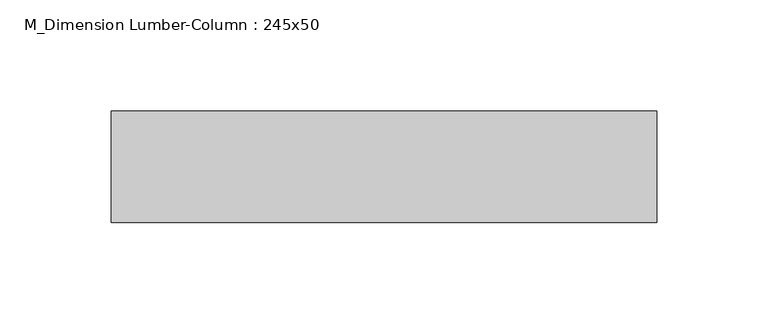
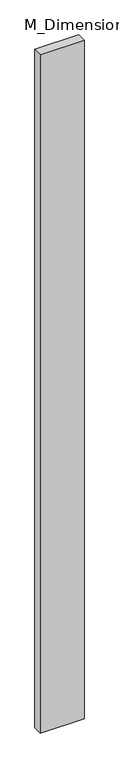
"""IFC4 building model written with IfcOpenShell, lengths in millimetres: column geometry, M_Dimension Lumber-Column : 245x50."""

from ifc_helpers import new_model, si_unit, origin, origin_with_axes, place, context, project, spatial, polyline, outline, extrude, source, transform, mapped, element, save


def m_dimension_lumber_column_245x50_d8cca5dc(model_context):
    return source(origin(), model_context, "Body", "SweptSolid", [
        extrude(outline(polyline([(122.5, 25.0), (122.5, -25.0), (-122.5, -25.0), (-122.5, 25.0), (122.5, 25.0)])), origin_with_axes(), (0.0, 0.0, 1.0), 4000.0),
    ])


if __name__ == "__main__":
    model = new_model("IFC4")
    model_context = context("Model", 3, world=origin())
    ifc_project = project(units=[si_unit("LENGTHUNIT", "METRE", prefix="MILLI")], contexts=[model_context])
    site = spatial("IfcSite", under=ifc_project)
    building = spatial("IfcBuilding", under=site)
    placement = place(None, origin())
    m_dimension_lumber_column_245x50_shape = m_dimension_lumber_column_245x50_d8cca5dc(model_context)
    element("IfcColumn", 1, ObjectType="M_Dimension Lumber-Column : 245x50", at=placement, inside=building, context=model_context, shape_type="MappedRepresentation", body=[
        mapped(m_dimension_lumber_column_245x50_shape, transform((0.0, 0.0, 0.0), x_axis=(1.0, 0.0, 0.0), y_axis=(0.0, 1.0, 0.0), z_axis=(0.0, 0.0, 1.0))),
    ])
    save(model, "model.ifc")
